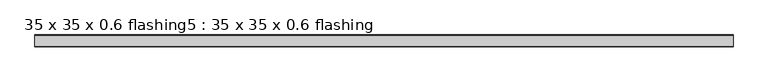
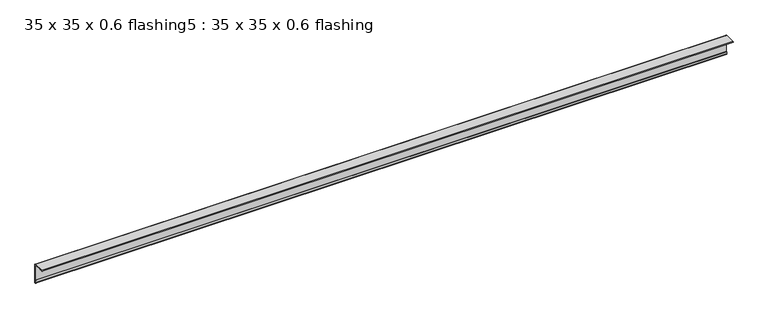
"""IFC4 building model written with IfcOpenShell, lengths in millimetres: proxy geometry, 35 x 35 x 0.6 flashing5 : 35 x 35 x 0.6 flashing."""

from ifc_helpers import new_model, si_unit, point, frame, frame_2d, origin, place, context, project, spatial, polyline, circle_curve, trimmed, segment, composite_curve, outline, extrude, source, transform, mapped, element, save


def proxy_35_x_35_x_0_6_flashing5_35_x_35_x_0_6_flashing_8447af89(model_context):
    return source(origin(), model_context, "Body", "SweptSolid", [
        extrude(outline(composite_curve([segment(polyline([(919.6461443, 1503.3887038), (957.1461443, 1503.3887038)]), True, "CONTINUOUS"), segment(trimmed(circle_curve(frame_2d((957.1461443, 1500.8887038)), 2.5), [point((957.1461443, 1503.3887038))], [point((959.6461443, 1500.8887038))], False, "CARTESIAN"), True, "CONTINUOUS"), segment(polyline([(959.6461443, 1500.8887038), (959.6461443, 1434.3560264)]), True, "CONTINUOUS"), segment(trimmed(circle_curve(frame_2d((958.6461443, 1434.3560264)), 1.0), [point((959.6461443, 1434.3560264))], [point((957.6461443, 1434.3560264))], False, "CARTESIAN"), True, "CONTINUOUS"), segment(polyline([(957.6461443, 1434.3560264), (957.6461443, 1443.3887038), (958.6461443, 1443.3887038), (958.6461443, 1500.8887038)]), True, "CONTINUOUS"), segment(trimmed(circle_curve(frame_2d((957.1461443, 1500.8887038)), 1.5), [point((958.6461443, 1500.8887038))], [point((957.1461443, 1502.3887038))], True, "CARTESIAN"), True, "CONTINUOUS"), segment(polyline([(957.1461443, 1502.3887038), (928.6479284, 1502.3887038), (928.6479284, 1501.3887038), (919.6461443, 1501.3887038)]), True, "CONTINUOUS"), segment(trimmed(circle_curve(frame_2d((919.6461443, 1502.3887038)), 1.0), [point((919.6461443, 1501.3887038))], [point((919.6461443, 1503.3887038))], False, "CARTESIAN"), True, "CONTINUOUS")], self_intersect=False)), frame((-5219.6640929, 0.0, 0.0), z_axis=(1.0, 0.0, 0.0), x_axis=(0.0, 1.0, 0.0)), (0.0, 0.0, 1.0), 2410.6438934),
    ])


if __name__ == "__main__":
    model = new_model("IFC4")
    model_context = context("Model", 3, world=origin())
    ifc_project = project(units=[si_unit("LENGTHUNIT", "METRE", prefix="MILLI")], contexts=[model_context])
    site = spatial("IfcSite", under=ifc_project)
    building = spatial("IfcBuilding", under=site)
    placement = place(None, origin())
    proxy_35_x_35_x_0_6_flashing5_35_x_35_x_0_6_flashing_shape = proxy_35_x_35_x_0_6_flashing5_35_x_35_x_0_6_flashing_8447af89(model_context)
    element("IfcBuildingElementProxy", 1, Name="35 x 35 x 0.6 flashing5 : 35 x 35 x 0.6 flashing", ObjectType="35 x 35 x 0.6 flashing5 : 35 x 35 x 0.6 flashing", at=placement, inside=building, context=model_context, shape_type="MappedRepresentation", body=[
        mapped(proxy_35_x_35_x_0_6_flashing5_35_x_35_x_0_6_flashing_shape, transform((0.0, 0.0, 0.0), x_axis=(1.0, 0.0, 0.0), y_axis=(0.0, 1.0, 0.0), z_axis=(0.0, 0.0, 1.0))),
    ])
    save(model, "model.ifc")
